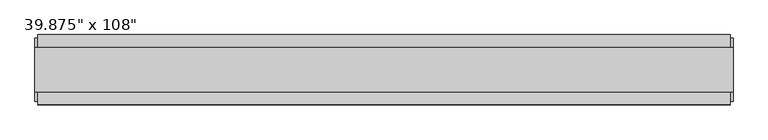
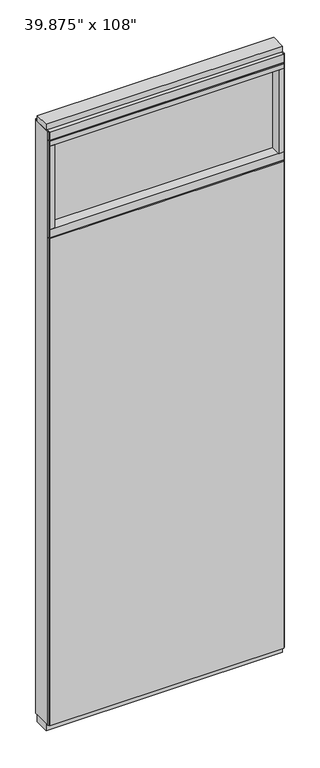
"""IFC4 building model written with IfcOpenShell, lengths in millimetres: furniture geometry."""

from ifc_helpers import new_model, si_unit, frame, origin, origin_with_axes, place, context, project, spatial, polyline, outline, extrude, source, transform, mapped, element, save


def furniture_555db397(model_context):
    return source(origin(), model_context, "Body", "SweptSolid", [
        extrude(outline(polyline([(442.4389771, -46.2822784), (-562.5120229, -46.2822784), (-562.5120229, -33.5822784), (442.4389771, -33.5822784), (442.4389771, -46.2822784)])), frame((0.0, 0.0, 31.75), z_axis=(0.0, 0.0, 1.0), x_axis=(1.0, 0.0, 0.0)), (0.0, 0.0, 1.0), 2203.45),
        extrude(outline(polyline([(442.4389771, 55.3177216), (442.4389771, 42.6177216), (-562.5120229, 42.6177216), (-562.5120229, 55.3177216), (442.4389771, 55.3177216)])), frame((0.0, 0.0, 31.75), z_axis=(0.0, 0.0, 1.0), x_axis=(1.0, 0.0, 0.0)), (0.0, 0.0, 1.0), 2203.45),
        extrude(outline(polyline([(420.2139771, 9.5977216), (420.2139771, -0.5622784), (-540.2870229, -0.5622784), (-540.2870229, 9.5977216), (420.2139771, 9.5977216)])), frame((0.0, 0.0, 2276.475), z_axis=(0.0, 0.0, 1.0), x_axis=(1.0, 0.0, 0.0)), (0.0, 0.0, 1.0), 377.825),
        extrude(outline(polyline([(420.2139771, 55.3177216), (442.4389771, 55.3177216), (442.4389771, -46.2822784), (420.2139771, -46.2822784), (420.2139771, 55.3177216)])), frame((0.0, 0.0, 2276.475), z_axis=(0.0, 0.0, 1.0), x_axis=(1.0, 0.0, 0.0)), (0.0, 0.0, 1.0), 377.825),
        extrude(outline(polyline([(55.3177216, 2240.153), (50.3647216, 2240.153), (50.3647216, 2235.2), (-41.3292784, 2235.2), (-41.3292784, 2240.153), (-46.2822784, 2240.153), (-46.2822784, 2276.475), (55.3177216, 2276.475), (55.3177216, 2240.153)])), frame((-562.5120229, 0.0, 0.0), z_axis=(1.0, 0.0, 0.0), x_axis=(0.0, 1.0, 0.0)), (0.0, 0.0, 1.0), 1004.951),
        extrude(outline(polyline([(-540.2870229, 55.3177216), (-540.2870229, -46.2822784), (-562.5120229, -46.2822784), (-562.5120229, 55.3177216), (-540.2870229, 55.3177216)])), frame((0.0, 0.0, 2276.475), z_axis=(0.0, 0.0, 1.0), x_axis=(1.0, 0.0, 0.0)), (0.0, 0.0, 1.0), 377.825),
        extrude(outline(polyline([(446.3759771, -27.9942784), (-566.4490229, -27.9942784), (-566.4490229, 37.0297216), (446.3759771, 37.0297216), (446.3759771, -27.9942784)])), origin_with_axes(), (0.0, 0.0, 1.0), 31.75),
        extrude(outline(polyline([(-566.4490229, 37.0297216), (446.3759771, 37.0297216), (446.3759771, -27.9942784), (-566.4490229, -27.9942784), (-566.4490229, 37.0297216)])), frame((0.0, 0.0, 2717.8), z_axis=(0.0, 0.0, 1.0), x_axis=(1.0, 0.0, 0.0)), (0.0, 0.0, 1.0), 25.4),
        extrude(outline(polyline([(55.3177216, 2681.478), (50.3647216, 2681.478), (50.3647216, 2676.525), (-41.3292784, 2676.525), (-41.3292784, 2681.478), (-46.2822784, 2681.478), (-46.2822784, 2717.8), (55.3177216, 2717.8), (55.3177216, 2681.478)])), frame((-562.5120229, 0.0, 0.0), z_axis=(1.0, 0.0, 0.0), x_axis=(0.0, 1.0, 0.0)), (0.0, 0.0, 1.0), 1004.951),
        extrude(outline(polyline([(442.4389771, -46.2822784), (-562.5120229, -46.2822784), (-562.5120229, 55.3177216), (442.4389771, 55.3177216), (442.4389771, -46.2822784)])), frame((0.0, 0.0, 2654.3), z_axis=(0.0, 0.0, 1.0), x_axis=(1.0, 0.0, 0.0)), (0.0, 0.0, 1.0), 22.225),
        extrude(outline(polyline([(446.3759771, 50.3647216), (446.3759771, -41.3292784), (442.4389771, -41.3292784), (442.4389771, 50.3647216), (446.3759771, 50.3647216)])), frame((0.0, 0.0, 31.75), z_axis=(0.0, 0.0, 1.0), x_axis=(1.0, 0.0, 0.0)), (0.0, 0.0, 1.0), 2686.05),
        extrude(outline(polyline([(-566.4490229, 50.3647216), (-562.5120229, 50.3647216), (-562.5120229, -41.3292784), (-566.4490229, -41.3292784), (-566.4490229, 50.3647216)])), frame((0.0, 0.0, 31.75), z_axis=(0.0, 0.0, 1.0), x_axis=(1.0, 0.0, 0.0)), (0.0, 0.0, 1.0), 2686.05),
    ])


if __name__ == "__main__":
    model = new_model("IFC4")
    model_context = context("Model", 3, world=origin())
    ifc_project = project(units=[si_unit("LENGTHUNIT", "METRE", prefix="MILLI")], contexts=[model_context])
    site = spatial("IfcSite", under=ifc_project)
    building = spatial("IfcBuilding", under=site)
    placement = place(None, origin())
    furniture_shape = furniture_555db397(model_context)
    element("IfcFurniture", 1, ObjectType="39.875\" x 108\"", at=placement, inside=building, context=model_context, shape_type="MappedRepresentation", body=[
        mapped(furniture_shape, transform((0.0, 0.0, 0.0), x_axis=(1.0, 0.0, 0.0), y_axis=(0.0, 1.0, 0.0), z_axis=(0.0, 0.0, 1.0))),
    ])
    save(model, "model.ifc")
